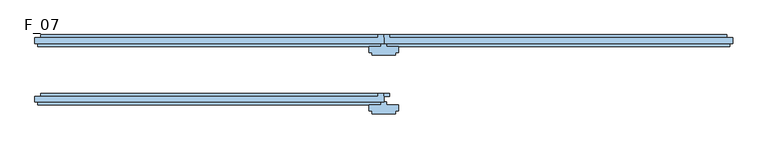
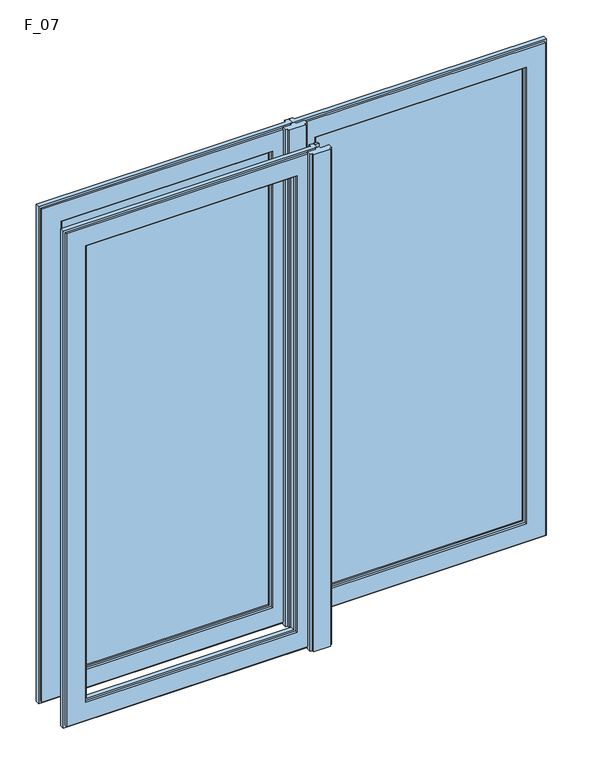
"""IFC4 building model written with IfcOpenShell, lengths in millimetres: window geometry, F_07."""

from ifc_helpers import new_model, si_unit, frame, origin, place, context, project, spatial, polyline, outline, extrude, faceted_brep, source, transform, mapped, element, save


def f_07_344b7206(model_context):
    return source(origin(), model_context, "Body", "SolidModel", [
        faceted_brep([(-0.5, 55.0, 850.0), (-0.5, 50.0, 850.0), (0.0, 50.0, 850.0), (0.0, 40.0, 850.0), (-595.0, 40.0, 850.0), (-595.0, 50.0, 850.0), (-10.0, 50.0, 850.0), (-10.0, 55.0, 850.0), (-0.5, 55.0, 2080.0), (-0.5, 50.0, 2080.0), (0.0, 50.0, 2080.0), (-585.0, 50.0, 860.0), (-10.0, 50.0, 860.0), (-595.0, 50.0, 2080.0), (-10.0, 50.0, 2080.0), (-10.0, 50.0, 2070.0), (-585.0, 50.0, 2070.0), (0.0, 40.0, 2080.0), (-595.0, 40.0, 2080.0), (-5.0, 40.0, 2075.0), (-5.0, 40.0, 855.0), (-590.0, 40.0, 855.0), (-590.0, 40.0, 2075.0), (-10.0, 55.0, 860.0), (-10.0, 55.0, 2080.0), (-10.0, 55.0, 2070.0), (-585.0, 55.0, 860.0), (-585.0, 55.0, 2070.0), (-50.0, 55.0, 900.0), (-50.0, 55.0, 2030.0), (-545.0, 55.0, 2030.0), (-545.0, 55.0, 900.0), (-50.0, 50.0, 2030.0), (-50.0, 50.0, 900.0), (-545.0, 50.0, 900.0), (-545.0, 50.0, 2030.0), (-55.0, 50.0, 905.0), (-55.0, 50.0, 2025.0), (-540.0, 50.0, 2025.0), (-540.0, 50.0, 905.0), (-55.0, 40.0, 2025.0), (-55.0, 40.0, 905.0), (-540.0, 40.0, 905.0), (-50.0, 40.0, 900.0), (-50.0, 40.0, 2030.0), (-545.0, 40.0, 2030.0), (-545.0, 40.0, 900.0), (-540.0, 40.0, 2025.0), (-50.0, 35.0, 2030.0), (-50.0, 35.0, 900.0), (-545.0, 35.0, 900.0), (-5.0, 35.0, 855.0), (-5.0, 35.0, 2075.0), (-590.0, 35.0, 2075.0), (-590.0, 35.0, 855.0), (-545.0, 35.0, 2030.0)], [[[0, 1, 2, 3, 4, 5, 6, 7]], [[8, 9, 1, 0]], [[10, 2, 1, 9]], [[11, 12, 6, 5, 13, 14, 15, 16]], [[10, 17, 3, 2]], [[3, 17, 18, 4], [19, 20, 21, 22]], [[5, 4, 18, 13]], [[7, 6, 12, 23]], [[14, 24, 25, 15]], [[24, 8, 0, 7, 23, 26, 27, 25], [28, 29, 30, 31]], [[12, 11, 26, 23]], [[26, 11, 16, 27]], [[32, 29, 28, 33]], [[34, 31, 30, 35]], [[33, 28, 31, 34]], [[32, 33, 34, 35], [36, 37, 38, 39]], [[40, 37, 36, 41]], [[41, 36, 39, 42]], [[43, 44, 45, 46], [40, 41, 42, 47]], [[48, 44, 43, 49]], [[49, 43, 46, 50]], [[51, 52, 53, 54], [48, 49, 50, 55]], [[19, 52, 51, 20]], [[20, 51, 54, 21]], [[42, 39, 38, 47]], [[50, 46, 45, 55]], [[21, 54, 53, 22]], [[8, 24, 14, 13, 18, 17, 10, 9]], [[29, 32, 35, 30]], [[37, 40, 47, 38]], [[44, 48, 55, 45]], [[52, 19, 22, 53]], [[27, 16, 15, 25]]]),
        faceted_brep([(0.5, 55.0, 850.0), (10.0, 55.0, 850.0), (10.0, 50.0, 850.0), (595.0, 50.0, 850.0), (595.0, 40.0, 850.0), (0.0, 40.0, 850.0), (0.0, 50.0, 850.0), (0.5, 50.0, 850.0), (0.5, 55.0, 2080.0), (10.0, 55.0, 2080.0), (10.0, 55.0, 2070.0), (585.0, 55.0, 2070.0), (585.0, 55.0, 860.0), (10.0, 55.0, 860.0), (50.0, 55.0, 2030.0), (50.0, 55.0, 900.0), (545.0, 55.0, 900.0), (545.0, 55.0, 2030.0), (10.0, 50.0, 860.0), (10.0, 50.0, 2080.0), (10.0, 50.0, 2070.0), (0.0, 50.0, 2080.0), (0.5, 50.0, 2080.0), (585.0, 50.0, 860.0), (585.0, 50.0, 2070.0), (595.0, 50.0, 2080.0), (595.0, 40.0, 2080.0), (0.0, 40.0, 2080.0), (5.0, 40.0, 855.0), (5.0, 40.0, 2075.0), (590.0, 40.0, 2075.0), (590.0, 40.0, 855.0), (50.0, 50.0, 2030.0), (50.0, 50.0, 900.0), (545.0, 50.0, 900.0), (545.0, 50.0, 2030.0), (55.0, 50.0, 2025.0), (55.0, 50.0, 905.0), (540.0, 50.0, 905.0), (540.0, 50.0, 2025.0), (55.0, 40.0, 2025.0), (55.0, 40.0, 905.0), (50.0, 40.0, 2030.0), (50.0, 40.0, 900.0), (545.0, 40.0, 900.0), (545.0, 40.0, 2030.0), (540.0, 40.0, 2025.0), (540.0, 40.0, 905.0), (50.0, 35.0, 2030.0), (50.0, 35.0, 900.0), (5.0, 35.0, 2075.0), (5.0, 35.0, 855.0), (590.0, 35.0, 855.0), (590.0, 35.0, 2075.0), (545.0, 35.0, 2030.0), (545.0, 35.0, 900.0)], [[[0, 1, 2, 3, 4, 5, 6, 7]], [[8, 9, 10, 11, 12, 13, 1, 0], [14, 15, 16, 17]], [[2, 1, 13, 18]], [[9, 19, 20, 10]], [[6, 21, 22, 7]], [[18, 23, 24, 20, 19, 25, 3, 2]], [[4, 3, 25, 26]], [[27, 5, 4, 26], [28, 29, 30, 31]], [[27, 21, 6, 5]], [[22, 8, 0, 7]], [[23, 12, 11, 24]], [[13, 12, 23, 18]], [[14, 32, 33, 15]], [[15, 33, 34, 16]], [[16, 34, 35, 17]], [[33, 32, 35, 34], [36, 37, 38, 39]], [[36, 40, 41, 37]], [[42, 43, 44, 45], [41, 40, 46, 47]], [[37, 41, 47, 38]], [[42, 48, 49, 43]], [[50, 51, 52, 53], [49, 48, 54, 55]], [[43, 49, 55, 44]], [[50, 29, 28, 51]], [[51, 28, 31, 52]], [[38, 47, 46, 39]], [[44, 55, 54, 45]], [[52, 31, 30, 53]], [[8, 22, 21, 27, 26, 25, 19, 9]], [[32, 14, 17, 35]], [[40, 36, 39, 46]], [[48, 42, 45, 54]], [[29, 50, 53, 30]], [[24, 11, 10, 20]]]),
        extrude(outline(polyline([(-55.0, 43.0), (-540.0, 43.0), (-540.0, 47.0), (-55.0, 47.0), (-55.0, 43.0)])), frame((0.0, 0.0, 905.0), z_axis=(0.0, 0.0, 1.0), x_axis=(1.0, 0.0, 0.0)), (0.0, 0.0, 1.0), 1120.0),
        extrude(outline(polyline([(540.0, 43.0), (55.0, 43.0), (55.0, 47.0), (540.0, 47.0), (540.0, 43.0)])), frame((0.0, 0.0, 905.0), z_axis=(0.0, 0.0, 1.0), x_axis=(1.0, 0.0, 0.0)), (0.0, 0.0, 1.0), 1120.0),
        extrude(outline(polyline([(5.0, 40.0), (5.0, 35.0), (25.0, 35.0), (25.0, 25.0), (20.0, 25.0), (20.0, 20.0), (-20.0, 20.0), (-20.0, 25.0), (-25.0, 25.0), (-25.0, 35.0), (-5.0, 35.0), (-5.0, 40.0), (5.0, 40.0)])), frame((0.0, 0.0, 850.0), z_axis=(0.0, 0.0, 1.0), x_axis=(1.0, 0.0, 0.0)), (0.0, 0.0, 1.0), 1230.0),
        faceted_brep([(-50.0, -50.0, 2030.0), (-50.0, -45.0, 2030.0), (-50.0, -45.0, 900.0), (-50.0, -50.0, 900.0), (-10.0, -45.0, 860.0), (-585.0, -45.0, 860.0), (-585.0, -45.0, 2070.0), (-10.0, -45.0, 2070.0), (-10.0, -45.0, 2080.0), (-0.5, -45.0, 2080.0), (-0.5, -45.0, 850.0), (-10.0, -45.0, 850.0), (-545.0, -45.0, 2030.0), (-545.0, -45.0, 900.0), (-545.0, -50.0, 900.0), (-545.0, -50.0, 2030.0), (-55.0, -50.0, 905.0), (-55.0, -50.0, 2025.0), (-540.0, -50.0, 2025.0), (-540.0, -50.0, 905.0), (-55.0, -60.0, 2025.0), (-55.0, -60.0, 905.0), (-540.0, -60.0, 905.0), (-50.0, -60.0, 900.0), (-50.0, -60.0, 2030.0), (-545.0, -60.0, 2030.0), (-545.0, -60.0, 900.0), (-540.0, -60.0, 2025.0), (-50.0, -65.0, 2030.0), (-50.0, -65.0, 900.0), (-545.0, -65.0, 900.0), (-5.0, -65.0, 855.0), (-5.0, -65.0, 2075.0), (-590.0, -65.0, 2075.0), (-590.0, -65.0, 855.0), (-545.0, -65.0, 2030.0), (-5.0, -60.0, 2075.0), (-5.0, -60.0, 855.0), (-590.0, -60.0, 855.0), (0.0, -60.0, 850.0), (0.0, -60.0, 2080.0), (-595.0, -60.0, 2080.0), (-595.0, -60.0, 850.0), (-590.0, -60.0, 2075.0), (0.0, -50.0, 2080.0), (0.0, -50.0, 850.0), (-595.0, -50.0, 850.0), (-10.0, -50.0, 850.0), (-0.5, -50.0, 850.0), (-0.5, -50.0, 2080.0), (-585.0, -50.0, 860.0), (-10.0, -50.0, 860.0), (-595.0, -50.0, 2080.0), (-10.0, -50.0, 2080.0), (-10.0, -50.0, 2070.0), (-585.0, -50.0, 2070.0)], [[[0, 1, 2, 3]], [[4, 5, 6, 7, 8, 9, 10, 11], [2, 1, 12, 13]], [[3, 2, 13, 14]], [[0, 3, 14, 15], [16, 17, 18, 19]], [[20, 17, 16, 21]], [[21, 16, 19, 22]], [[23, 24, 25, 26], [20, 21, 22, 27]], [[28, 24, 23, 29]], [[29, 23, 26, 30]], [[31, 32, 33, 34], [28, 29, 30, 35]], [[36, 32, 31, 37]], [[37, 31, 34, 38]], [[39, 40, 41, 42], [36, 37, 38, 43]], [[44, 40, 39, 45]], [[45, 39, 42, 46, 47, 11, 10, 48]], [[44, 45, 48, 49]], [[50, 51, 47, 46, 52, 53, 54, 55]], [[14, 13, 12, 15]], [[22, 19, 18, 27]], [[30, 26, 25, 35]], [[38, 34, 33, 43]], [[46, 42, 41, 52]], [[11, 47, 51, 4]], [[53, 8, 7, 54]], [[9, 49, 48, 10]], [[51, 50, 5, 4]], [[5, 50, 55, 6]], [[1, 0, 15, 12]], [[17, 20, 27, 18]], [[24, 28, 35, 25]], [[32, 36, 43, 33]], [[40, 44, 49, 9, 8, 53, 52, 41]], [[6, 55, 54, 7]]]),
        extrude(outline(polyline([(5.0, -60.0), (5.0, -65.0), (25.0, -65.0), (25.0, -75.0), (20.0, -75.0), (20.0, -80.0), (-20.0, -80.0), (-20.0, -75.0), (-25.0, -75.0), (-25.0, -65.0), (-5.0, -65.0), (-5.0, -60.0), (5.0, -60.0)])), frame((0.0, 0.0, 850.0), z_axis=(0.0, 0.0, 1.0), x_axis=(1.0, 0.0, 0.0)), (0.0, 0.0, 1.0), 1230.0),
        extrude(outline(polyline([(0.5, -45.0), (10.0, -45.0), (10.0, -50.0), (0.5, -50.0), (0.5, -45.0)])), frame((0.0, 0.0, 850.0), z_axis=(0.0, 0.0, 1.0), x_axis=(1.0, 0.0, 0.0)), (0.0, 0.0, 1.0), 1230.0),
    ])


if __name__ == "__main__":
    model = new_model("IFC4")
    model_context = context("Model", 3, world=origin())
    ifc_project = project(units=[si_unit("LENGTHUNIT", "METRE", prefix="MILLI")], contexts=[model_context])
    site = spatial("IfcSite", under=ifc_project)
    building = spatial("IfcBuilding", under=site)
    placement = place(None, origin())
    f_07_shape = f_07_344b7206(model_context)
    element("IfcWindow", 1, ObjectType="F_07", at=placement, inside=building, context=model_context, shape_type="MappedRepresentation", body=[
        mapped(f_07_shape, transform((0.0, 0.0, 0.0), x_axis=(1.0, 0.0, 0.0), y_axis=(0.0, 1.0, 0.0), z_axis=(0.0, 0.0, 1.0))),
    ])
    save(model, "model.ifc")
